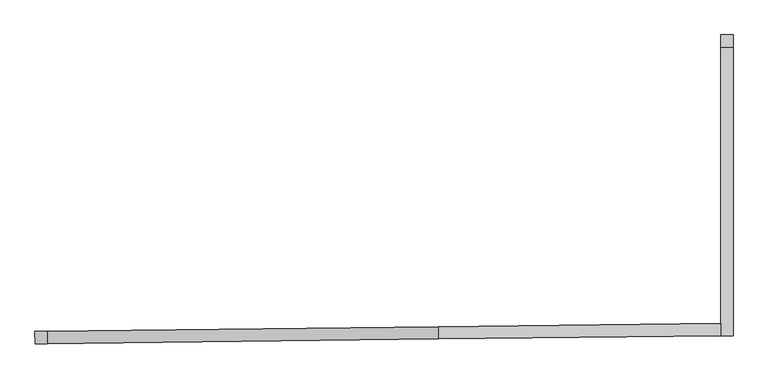
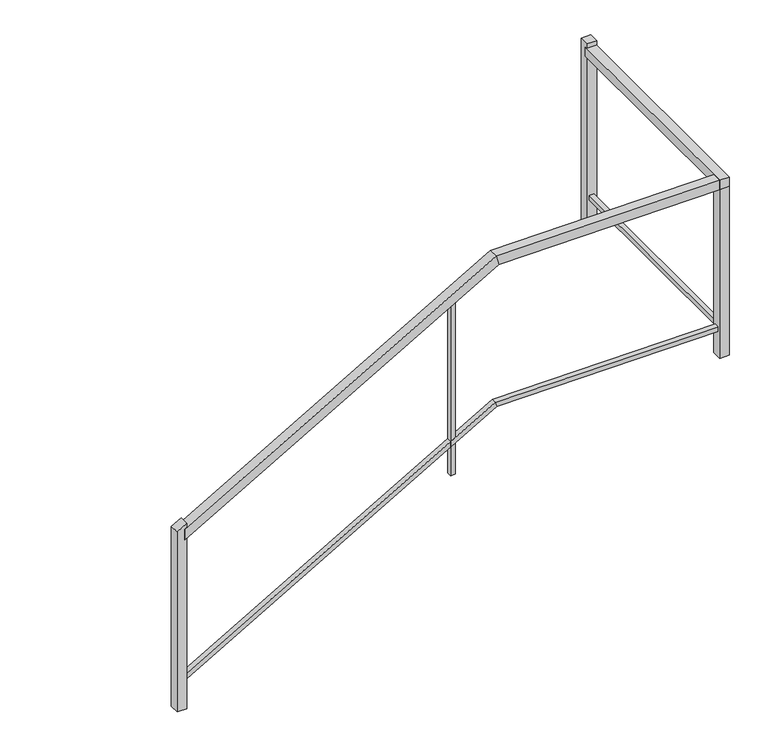
"""IFC4 building model written with IfcOpenShell, lengths in millimetres: railing geometry."""

from ifc_helpers import new_model, si_unit, frame, origin, place, context, project, spatial, polyline, outline, extrude, faceted_brep, source, transform, mapped, element, save


def railing_5ff45dcc(model_context):
    return source(origin(), model_context, "Body", "SolidModel", [
        faceted_brep([(-19909.6505797, 118183.7689444, -492.439043), (-19910.2416104, 118234.5655062, -492.439043), (-19910.2416104, 118234.5655062, -550.760957), (-19909.6505797, 118183.7689444, -550.760957), (-18284.4292976, 118202.6788025, 424.2), (-18285.0203284, 118253.4753642, 424.2), (-18271.6838087, 118253.630538, 373.4), (-18271.0927779, 118202.8339763, 373.4), (-17119.2805784, 118216.2356007, 424.2), (-17119.2805784, 118216.2356007, 373.4), (-17119.2805784, 118267.0390392, 373.4), (-17119.2805784, 118267.0390392, 424.2)], [[[0, 1, 2, 3]], [[1, 0, 4, 5]], [[2, 1, 5, 6]], [[3, 2, 6, 7]], [[0, 3, 7, 4]], [[8, 9, 10, 11]], [[5, 4, 8, 11]], [[6, 5, 11, 10]], [[7, 6, 10, 9]], [[4, 7, 9, 8]]]),
        faceted_brep([(-17068.4805784, 118216.8266715, 424.2), (-17119.2805784, 118216.2356007, 424.2), (-17119.2805784, 118216.2356007, 373.4), (-17068.4805784, 118216.8266715, 373.4), (-17068.4805784, 119420.9141596, 424.2), (-17068.4805784, 119420.9141596, 373.4), (-17119.2805784, 119420.9141596, 373.4), (-17119.2805784, 119420.9141596, 424.2)], [[[0, 1, 2, 3]], [[4, 5, 6, 7]], [[1, 0, 4, 7]], [[2, 1, 7, 6]], [[3, 2, 6, 5]], [[0, 3, 5, 4]]]),
        faceted_brep([(-19909.7983374, 118196.4680849, -1304.6195215), (-19910.0938527, 118221.8663657, -1304.6195215), (-19910.0938527, 118221.8663657, -1333.7804785), (-19909.7983374, 118196.4680849, -1333.7804785), (-18281.2429254, 118215.4167364, -386.1), (-18281.5384408, 118240.8150172, -386.1), (-18274.8701809, 118240.8926041, -411.5), (-18274.5746655, 118215.4943233, -411.5), (-17106.5805784, 118229.084228, -386.1), (-17106.5805784, 118229.084228, -411.5), (-17106.5805784, 118254.4859473, -411.5), (-17106.5805784, 118254.4859473, -386.1)], [[[0, 1, 2, 3]], [[1, 0, 4, 5]], [[2, 1, 5, 6]], [[3, 2, 6, 7]], [[0, 3, 7, 4]], [[8, 9, 10, 11]], [[5, 4, 8, 11]], [[6, 5, 11, 10]], [[7, 6, 10, 9]], [[4, 7, 9, 8]]]),
        faceted_brep([(-17081.1805784, 118229.3797634, -386.1), (-17106.5805784, 118229.084228, -386.1), (-17106.5805784, 118229.084228, -411.5), (-17081.1805784, 118229.3797634, -411.5), (-17081.1805784, 119420.9141596, -386.1), (-17081.1805784, 119420.9141596, -411.5), (-17106.5805784, 119420.9141596, -411.5), (-17106.5805784, 119420.9141596, -386.1)], [[[0, 1, 2, 3]], [[4, 5, 6, 7]], [[1, 0, 4, 7]], [[2, 1, 7, 6]], [[3, 2, 6, 5]], [[0, 3, 5, 4]]]),
        extrude(outline(polyline([(29.160957, 1e-07), (511.8869537, -855.9417933), (489.7628512, -868.4191364), (0.0, 0.0), (29.160957, 1e-07)])), frame((-18489.0664386, 118212.9986576, 292.4052391), z_axis=(-0.011634463823806954, 0.9999323173352948, 0.0), x_axis=(-0.8709687024595458, -0.01013393975248008, -0.49123397948536524)), (0.0, 0.0, 1.0), 25.4),
        extrude(outline(polyline([(-17119.5743746, 118267.0356208), (-17068.7778129, 118267.6266516), (-17068.1867822, 118216.8300899), (-17118.9833439, 118216.2390591), (-17119.5743746, 118267.0356208)])), frame((0.0, 0.0, -551.2), z_axis=(0.0, 0.0, 1.0), x_axis=(1.0, 0.0, 0.0)), (0.0, 0.0, 1.0), 924.6),
        extrude(outline(polyline([(-17119.2805784, 119408.2141596), (-17119.2805784, 119459.0141596), (-17068.4805784, 119459.0141596), (-17068.4805784, 119408.2141596), (-17119.2805784, 119408.2141596)])), frame((0.0, 0.0, -551.2), z_axis=(0.0, 0.0, 1.0), x_axis=(1.0, 0.0, 0.0)), (0.0, 0.0, 1.0), 1000.9),
        extrude(outline(polyline([(58.321914, 0.0), (542.9611496, -859.3342378), (498.7129446, -884.288924), (0.0, 0.0), (58.321914, 0.0)])), frame((-19896.9514392, 118183.9167021, -463.5375735), z_axis=(-0.011634463823806954, 0.9999323173352948, 0.0), x_axis=(-0.8709687024595458, -0.01013393975248008, -0.49123397948536524)), (0.0, 0.0, 1.0), 50.8),
    ])


if __name__ == "__main__":
    model = new_model("IFC4")
    model_context = context("Model", 3, world=origin())
    ifc_project = project(units=[si_unit("LENGTHUNIT", "METRE", prefix="MILLI")], contexts=[model_context])
    site = spatial("IfcSite", under=ifc_project)
    building = spatial("IfcBuilding", under=site)
    placement = place(None, origin())
    railing_shape = railing_5ff45dcc(model_context)
    element("IfcRailing", 1, at=placement, inside=building, context=model_context, shape_type="MappedRepresentation", body=[
        mapped(railing_shape, transform((0.0, 0.0, 0.0), x_axis=(1.0, 0.0, 0.0), y_axis=(0.0, 1.0, 0.0), z_axis=(0.0, 0.0, 1.0))),
    ])
    save(model, "model.ifc")
